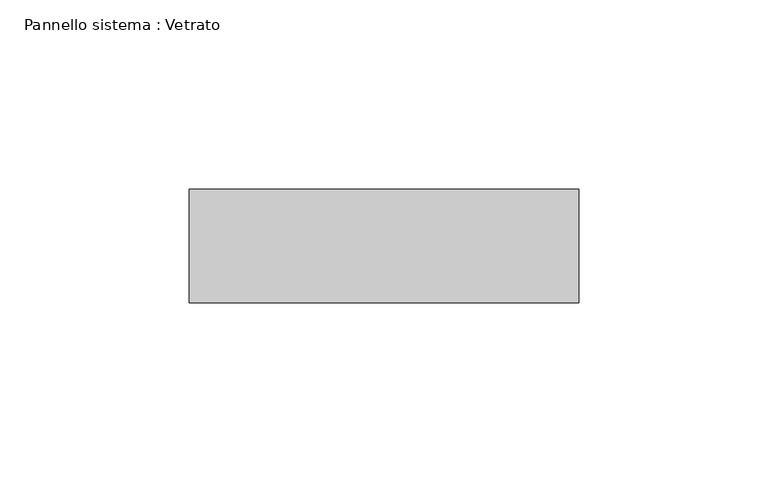
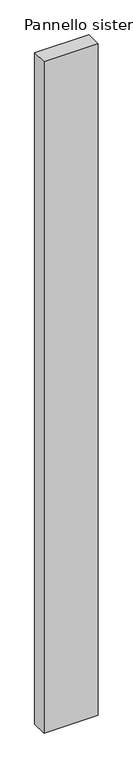
"""IFC4 building model written with IfcOpenShell, lengths in millimetres: plate geometry, Pannello sistema : Vetrato."""

import ifcopenshell
import ifcopenshell.guid

model = None  # the IFC model being written
_history = None  # IfcOwnerHistory: only IFC2X3 demands one
_inside = {}  # id of a spatial element -> (the spatial element, [elements in it])
_under = {}  # id of a project, library or spatial element -> (it, [spatial elements below it])
_declared = {}  # id of a project -> (the project, [libraries it declares])
_typed = {}  # id of a type object -> (the type object, [elements of that type])
_made_of = {}  # id of a material, layer set ... -> (it, [elements and type objects made of it])


def new_model(schema):
    """Start an empty IFC model of exactly this schema.

    Asked for "IFC4X3", IfcOpenShell would pick the latest addendum, in which some entities
    have other attributes; the version numbers below select the first issue.
    IFC2X3 requires an IfcOwnerHistory on every rooted entity: one is made here for all.
    """
    global model, _history
    if schema == "IFC4X3":
        model = ifcopenshell.file(schema_version=(4, 3, 0, 0))
    else:
        model = ifcopenshell.file(schema=schema)
    _inside.clear()
    _under.clear()
    _declared.clear()
    _typed.clear()
    _made_of.clear()
    _history = None
    if model.schema == "IFC2X3":
        org = make("IfcOrganization", Name="unknown")
        user = make(
            "IfcPersonAndOrganization",
            ThePerson=make("IfcPerson", FamilyName="unknown"),
            TheOrganization=org,
        )
        app = make(
            "IfcApplication",
            ApplicationDeveloper=org,
            Version="unknown",
            ApplicationFullName="unknown",
            ApplicationIdentifier="unknown",
        )
        _history = make(
            "IfcOwnerHistory",
            OwningUser=user,
            OwningApplication=app,
            ChangeAction="ADDED",
            CreationDate=0,
        )
    return model


def make(cls, **values):
    """One entity of the class cls with the attributes given. An attribute that is None is left unset."""
    return model.create_entity(
        cls, **{name: value for name, value in values.items() if value is not None}
    )


def rooted(cls, **values):
    """An entity with a GlobalId (a new one), such as an element, a storey or a relation."""
    return make(cls, GlobalId=ifcopenshell.guid.new(), OwnerHistory=_history, **values)


def si_unit(unit_type, name, prefix=None):
    """IfcSIUnit, for example si_unit("LENGTHUNIT", "METRE", prefix="MILLI")."""
    return make("IfcSIUnit", UnitType=unit_type, Prefix=prefix, Name=name)


def assignment(units):
    """IfcUnitAssignment: the units of a project."""
    return None if units is None else make("IfcUnitAssignment", Units=units)


def point(xyz):
    """IfcCartesianPoint."""
    return None if xyz is None else make("IfcCartesianPoint", Coordinates=xyz)


def direction(xyz):
    """IfcDirection."""
    return None if xyz is None else make("IfcDirection", DirectionRatios=xyz)


def frame(location, z_axis=None, x_axis=None):
    """IfcAxis2Placement3D, a coordinate frame: its origin and axes. An axis left out is left unset."""
    return make(
        "IfcAxis2Placement3D",
        Location=point(location),
        Axis=direction(z_axis),
        RefDirection=direction(x_axis),
    )


def origin():
    """The frame at (0, 0, 0) with its axes left unset."""
    return frame((0.0, 0.0, 0.0))


def origin_with_axes():
    """The frame at (0, 0, 0) with the z axis (0, 0, 1) and the x axis (1, 0, 0) written out."""
    return frame((0.0, 0.0, 0.0), z_axis=(0.0, 0.0, 1.0), x_axis=(1.0, 0.0, 0.0))


def place(relative_to, where):
    """IfcLocalPlacement: puts the frame where relative to a parent placement (None: the world)."""
    return make(
        "IfcLocalPlacement", PlacementRelTo=relative_to, RelativePlacement=where
    )


def context(
    kind, dimensions, precision=None, world=None, true_north=None, identifier=None
):
    """IfcGeometricRepresentationContext, for example the 3D "Model" context."""
    return make(
        "IfcGeometricRepresentationContext",
        ContextIdentifier=identifier,
        ContextType=kind,
        CoordinateSpaceDimension=dimensions,
        Precision=precision,
        WorldCoordinateSystem=world,
        TrueNorth=true_north,
    )


def project(units=None, contexts=None):
    """IfcProject with its units and contexts."""
    return rooted(
        "IfcProject",
        Name="project",
        RepresentationContexts=contexts,
        UnitsInContext=assignment(units),
    )


def spatial(cls, under=None, at=None, **own):
    """A site, building, storey or space (cls), placed at a placement, below another one or the project."""
    s = rooted(cls, ObjectPlacement=at, **own)
    if under is not None:
        _under.setdefault(under.id(), (under, []))[1].append(s)
    return s


def polyline(points):
    """IfcPolyline through the points."""
    return make("IfcPolyline", Points=[point(p) for p in points])


def outline(outer, holes=None, kind="AREA"):
    """IfcArbitraryClosedProfileDef: a profile drawn as a closed curve; with holes, ...WithVoids."""
    if holes is None:
        return make("IfcArbitraryClosedProfileDef", ProfileType=kind, OuterCurve=outer)
    return make(
        "IfcArbitraryProfileDefWithVoids",
        ProfileType=kind,
        OuterCurve=outer,
        InnerCurves=holes,
    )


def extrude(swept, where, along, depth):
    """IfcExtrudedAreaSolid: the profile swept, set in the frame where, extruded along a direction by depth."""
    return make(
        "IfcExtrudedAreaSolid",
        SweptArea=swept,
        Position=where,
        ExtrudedDirection=direction(along),
        Depth=depth,
    )


def shape(context_of_items, identifier, shape_type, items):
    """IfcShapeRepresentation: the items that make up one representation, for example the "Body"."""
    return make(
        "IfcShapeRepresentation",
        ContextOfItems=context_of_items,
        RepresentationIdentifier=identifier,
        RepresentationType=shape_type,
        Items=items,
    )


def source(mapping_origin, context_of_items, identifier, shape_type, items):
    """IfcRepresentationMap: a shape defined once, which mapped items show again and again."""
    return make(
        "IfcRepresentationMap",
        MappingOrigin=mapping_origin,
        MappedRepresentation=shape(context_of_items, identifier, shape_type, items),
    )


def transform(
    local_origin,
    x_axis=None,
    y_axis=None,
    z_axis=None,
    scale=None,
    scale2=None,
    scale3=None,
    uniform=True,
):
    """IfcCartesianTransformationOperator3D, or its non-uniform kind. x_axis, y_axis, z_axis: its Axis1, 2, 3."""
    if uniform:
        return make(
            "IfcCartesianTransformationOperator3D",
            Axis1=direction(x_axis),
            Axis2=direction(y_axis),
            LocalOrigin=point(local_origin),
            Scale=scale,
            Axis3=direction(z_axis),
        )
    return make(
        "IfcCartesianTransformationOperator3DnonUniform",
        Axis1=direction(x_axis),
        Axis2=direction(y_axis),
        LocalOrigin=point(local_origin),
        Scale=scale,
        Axis3=direction(z_axis),
        Scale2=scale2,
        Scale3=scale3,
    )


def mapped(mapping_source, mapping_target):
    """IfcMappedItem: shows the shape of a source again, moved by a transform."""
    return make(
        "IfcMappedItem", MappingSource=mapping_source, MappingTarget=mapping_target
    )


def made_of(thing, what):
    """Note that an element or type object is made of a material, layer set ...; save() writes the relation."""
    if what is not None:
        _made_of.setdefault(what.id(), (what, []))[1].append(thing)
    return thing


def element(
    cls,
    number,
    at=None,
    inside=None,
    cuts=None,
    type_object=None,
    material=None,
    context=None,
    identifier="Body",
    shape_type=None,
    held_by="IfcProductDefinitionShape",
    body=None,
    shapes=None,
    **own,
):
    """One element of the class cls, such as IfcWall. Its Tag is "e" and its number.

    at: its placement. inside: the storey or other place that contains it. cuts: it is an
    opening in that element (IfcRelVoidsElement). A single representation is given by context,
    identifier, shape_type and body (its items); several are given by shapes. held_by: the class
    of the entity that holds the representations. save() writes the other relations.
    """
    e = rooted(cls, Tag="e%d" % number, ObjectPlacement=at, **own)
    if body is not None:
        shapes = [shape(context, identifier, shape_type, body)]
    if shapes is not None:
        e.Representation = make(held_by, Representations=shapes)
    if inside is not None:
        _inside.setdefault(inside.id(), (inside, []))[1].append(e)
    if cuts is not None:
        rooted(
            "IfcRelVoidsElement", RelatingBuildingElement=cuts, RelatedOpeningElement=e
        )
    if type_object is not None:
        _typed.setdefault(type_object.id(), (type_object, []))[1].append(e)
    return made_of(e, material)


def aggregate(whole, parts):
    """IfcRelAggregates: a whole, such as a stair, and the parts it consists of."""
    return rooted("IfcRelAggregates", RelatingObject=whole, RelatedObjects=parts)


def save(model, path):
    """Write the relations noted so far, then the file.

    IfcRelAggregates (storeys below a building ...), IfcRelContainedInSpatialStructure (elements
    in a storey), IfcRelDefinesByType, IfcRelAssociatesMaterial and IfcRelDeclares: one each for
    every whole, place, type object, material and project.
    """
    for whole, parts in _under.values():
        aggregate(whole, parts)
    for where, things in _inside.values():
        rooted(
            "IfcRelContainedInSpatialStructure",
            RelatedElements=things,
            RelatingStructure=where,
        )
    for kind, things in _typed.values():
        rooted("IfcRelDefinesByType", RelatedObjects=things, RelatingType=kind)
    for what, things in _made_of.values():
        rooted("IfcRelAssociatesMaterial", RelatedObjects=things, RelatingMaterial=what)
    for by, libraries in _declared.values():
        rooted("IfcRelDeclares", RelatingContext=by, RelatedDefinitions=libraries)
    model.write(path)


def pannello_sistema_vetrato_6c3f2833(model_context):
    return source(origin(), model_context, "Body", "SweptSolid", [
        extrude(outline(polyline([(51.4898714, -15.0), (-51.4898714, -15.0), (-51.4898714, 15.0), (51.4898714, 15.0), (51.4898714, -15.0)])), origin_with_axes(), (0.0, 0.0, 1.0), 1350.0),
    ])


if __name__ == "__main__":
    model = new_model("IFC4")
    model_context = context("Model", 3, world=origin())
    ifc_project = project(units=[si_unit("LENGTHUNIT", "METRE", prefix="MILLI")], contexts=[model_context])
    site = spatial("IfcSite", under=ifc_project)
    building = spatial("IfcBuilding", under=site)
    placement = place(None, origin())
    pannello_sistema_vetrato_shape = pannello_sistema_vetrato_6c3f2833(model_context)
    element("IfcPlate", 1, ObjectType="Pannello sistema : Vetrato", at=placement, inside=building, context=model_context, shape_type="MappedRepresentation", body=[
        mapped(pannello_sistema_vetrato_shape, transform((0.0, 0.0, 0.0), x_axis=(1.0, 0.0, 0.0), y_axis=(0.0, 1.0, 0.0), z_axis=(0.0, 0.0, 1.0))),
    ])
    save(model, "model.ifc")
